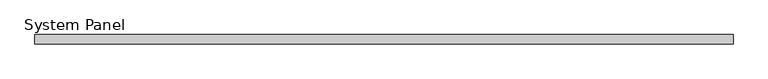
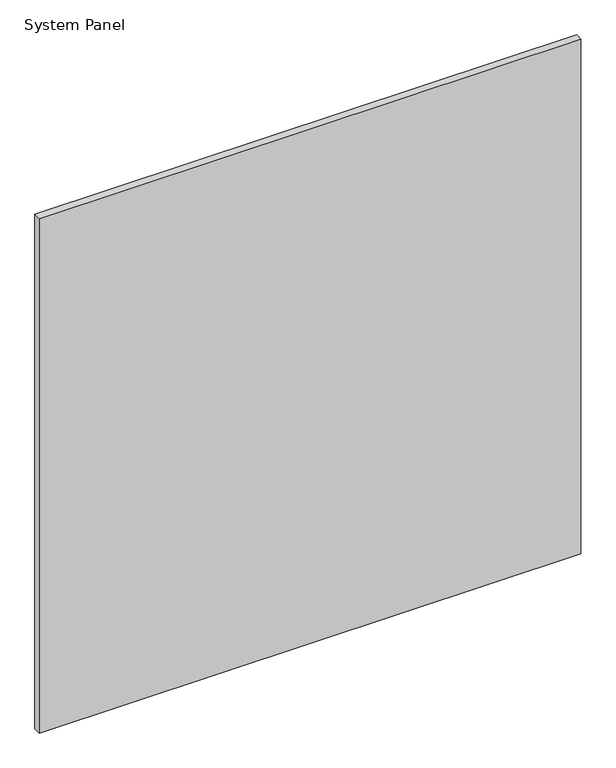
"""IFC4 building model written with IfcOpenShell, lengths in millimetres: plate geometry, System Panel."""

from ifc_helpers import new_model, si_unit, origin, origin_with_axes, place, context, project, spatial, polyline, outline, extrude, source, transform, mapped, element, save


def system_panel_01ed2eee(model_context):
    return source(origin(), model_context, "Body", "SweptSolid", [
        extrude(outline(polyline([(592.5, -8.0), (-592.5, -8.0), (-592.5, 8.0), (592.5, 8.0), (592.5, -8.0)])), origin_with_axes(), (0.0, 0.0, 1.0), 1190.0),
    ])


if __name__ == "__main__":
    model = new_model("IFC4")
    model_context = context("Model", 3, world=origin())
    ifc_project = project(units=[si_unit("LENGTHUNIT", "METRE", prefix="MILLI")], contexts=[model_context])
    site = spatial("IfcSite", under=ifc_project)
    building = spatial("IfcBuilding", under=site)
    placement = place(None, origin())
    system_panel_shape = system_panel_01ed2eee(model_context)
    element("IfcPlate", 1, ObjectType="System Panel", at=placement, inside=building, context=model_context, shape_type="MappedRepresentation", body=[
        mapped(system_panel_shape, transform((0.0, 0.0, 0.0), x_axis=(1.0, 0.0, 0.0), y_axis=(0.0, 1.0, 0.0), z_axis=(0.0, 0.0, 1.0))),
    ])
    save(model, "model.ifc")
